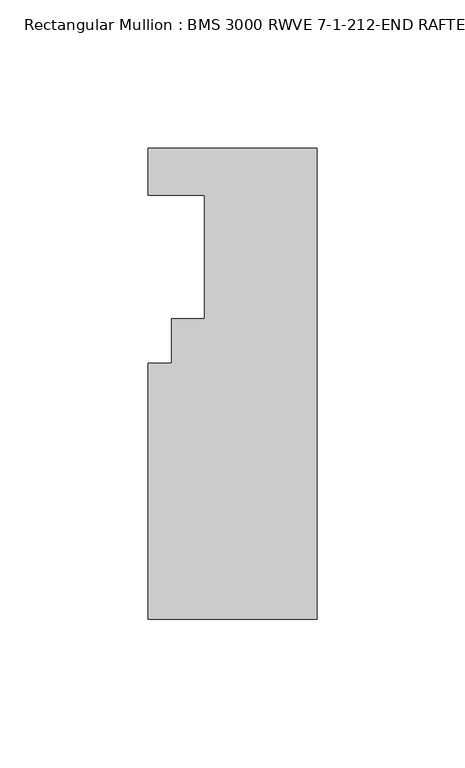
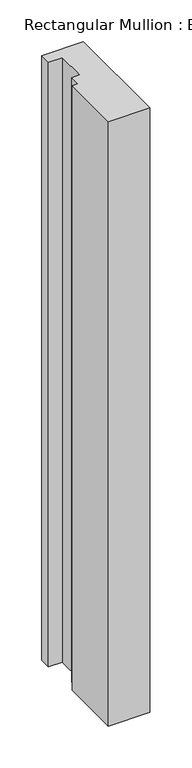
"""IFC4 building model written with IfcOpenShell, lengths in millimetres: member geometry, Rectangular Mullion : BMS 3000 RWVE 7-1-212-END RAFTER-HORIZ-MIR."""

from ifc_helpers import new_model, si_unit, frame, origin, place, context, project, spatial, polyline, outline, extrude, source, transform, mapped, element, save


def rectangular_mullion_bms_3000_rwve_7_1_212_end_rafter_horiz_af9cd4f8(model_context):
    return source(origin(), model_context, "Body", "SweptSolid", [
        extrude(outline(polyline([(-57.15, -152.9953125), (-57.15, -66.4575125), (-49.2252, -66.4575125), (-49.2252, -51.3953125), (-38.1, -51.3953125), (-38.1, -9.7393125), (-57.15, -9.7393125), (-57.15, 6.1356875), (0.0, 6.1356875), (0.0, -152.9953125), (-57.15, -152.9953125)])), frame((0.0, 0.0, -882.65), z_axis=(0.0, 0.0, 1.0), x_axis=(1.0, 0.0, 0.0)), (0.0, 0.0, 1.0), 882.65),
    ])


if __name__ == "__main__":
    model = new_model("IFC4")
    model_context = context("Model", 3, world=origin())
    ifc_project = project(units=[si_unit("LENGTHUNIT", "METRE", prefix="MILLI")], contexts=[model_context])
    site = spatial("IfcSite", under=ifc_project)
    building = spatial("IfcBuilding", under=site)
    placement = place(None, origin())
    rectangular_mullion_bms_3000_rwve_7_1_212_end_rafter_horiz_shape = rectangular_mullion_bms_3000_rwve_7_1_212_end_rafter_horiz_af9cd4f8(model_context)
    element("IfcMember", 1, ObjectType="Rectangular Mullion : BMS 3000 RWVE 7-1-212-END RAFTER-HORIZ-MIR", at=placement, inside=building, context=model_context, shape_type="MappedRepresentation", body=[
        mapped(rectangular_mullion_bms_3000_rwve_7_1_212_end_rafter_horiz_shape, transform((0.0, 0.0, 0.0), x_axis=(1.0, 0.0, 0.0), y_axis=(0.0, 1.0, 0.0), z_axis=(0.0, 0.0, 1.0))),
    ])
    save(model, "model.ifc")
